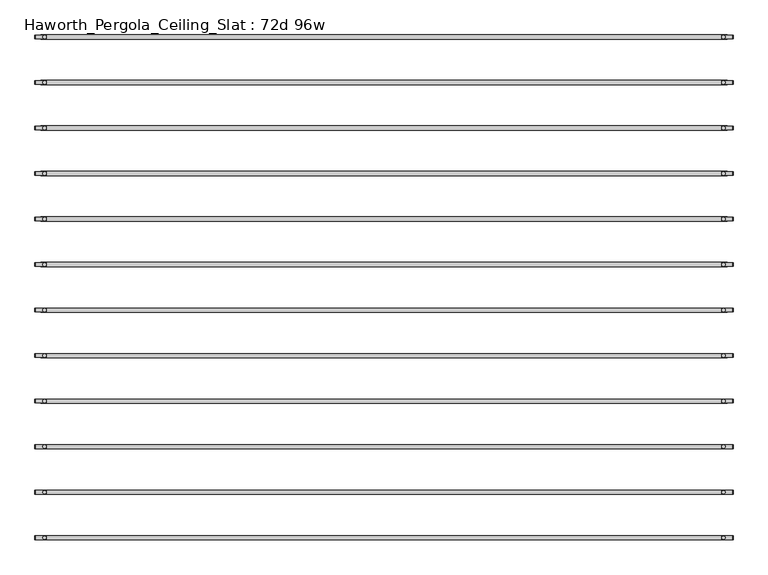
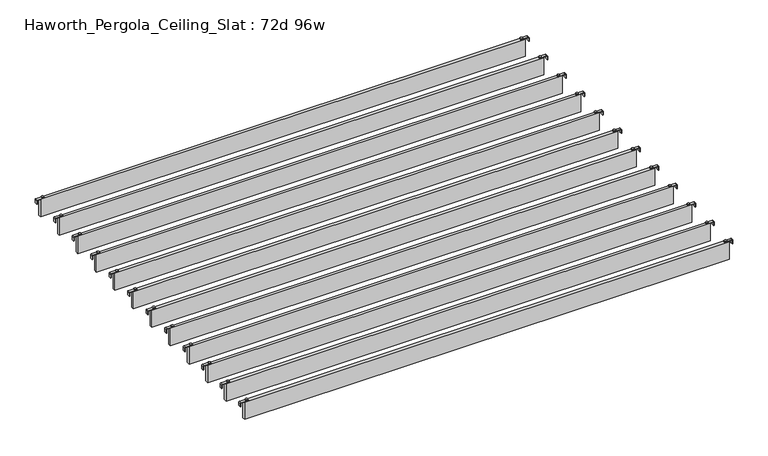
"""IFC4 building model written with IfcOpenShell, lengths in millimetres: furniture geometry, Haworth_Pergola_Ceiling_Slat : 72d 96w."""

from ifc_helpers import new_model, si_unit, point, frame, frame_2d, origin, place, context, project, spatial, polyline, circle_curve, trimmed, segment, composite_curve, outline, extrude, source, transform, mapped, element, save


def haworth_pergola_ceiling_slat_72d_96w_01a6c2b5(model_context):
    return source(origin(), model_context, "Body", "SweptSolid", [
        extrude(outline(composite_curve([segment(trimmed(circle_curve(frame_2d((1243.6, 611.3433636)), 5.9838099), [point((1237.6161901, 611.3433636))], [point((1249.5838099, 611.3433636))], False, "CARTESIAN"), True, "CONTINUOUS"), segment(trimmed(circle_curve(frame_2d((1243.6, 611.3433636)), 5.9838099), [point((1249.5838099, 611.3433636))], [point((1237.6161901, 611.3433636))], False, "CARTESIAN"), True, "CONTINUOUS")], self_intersect=False)), frame((0.0, 0.0, 2440.9329992), z_axis=(0.0, 0.0, 1.0), x_axis=(1.0, 0.0, 0.0)), (0.0, 0.0, 1.0), 3.4400008),
        extrude(outline(composite_curve([segment(trimmed(circle_curve(frame_2d((-1167.4, 611.3433636)), 5.9838099), [point((-1161.4161901, 611.3433636))], [point((-1173.3838099, 611.3433636))], False, "CARTESIAN"), True, "CONTINUOUS"), segment(trimmed(circle_curve(frame_2d((-1167.4, 611.3433636)), 5.9838099), [point((-1173.3838099, 611.3433636))], [point((-1161.4161901, 611.3433636))], False, "CARTESIAN"), True, "CONTINUOUS")], self_intersect=False)), frame((0.0, 0.0, 2440.9329992), z_axis=(0.0, 0.0, 1.0), x_axis=(1.0, 0.0, 0.0)), (0.0, 0.0, 1.0), 3.4400008),
        extrude(outline(composite_curve([segment(polyline([(2419.2231711, 1277.76), (2437.2499992, 1277.76)]), True, "CONTINUOUS"), segment(trimmed(circle_curve(frame_2d((2437.2499992, 1274.077)), 3.683), [point((2437.2499992, 1277.76))], [point((2440.9329992, 1274.077))], False, "CARTESIAN"), True, "CONTINUOUS"), segment(polyline([(2440.9329992, 1274.077), (2440.9329992, 1237.1), (2438.2729997, 1237.1), (2438.2729997, 1274.0905568)]), True, "CONTINUOUS"), segment(trimmed(circle_curve(frame_2d((2437.2635571, 1274.0905568)), 1.0094425), [point((2438.2729997, 1274.0905568))], [point((2437.2635571, 1275.0999993))], True, "CARTESIAN"), True, "CONTINUOUS"), segment(polyline([(2437.2635571, 1275.0999993), (2419.2231711, 1275.0999993), (2419.2231711, 1277.76)]), True, "CONTINUOUS")], self_intersect=False)), frame((0.0, 604.836364, 0.0), z_axis=(0.0, 1.0, 0.0), x_axis=(0.0, 0.0, 1.0)), (0.0, 0.0, 1.0), 13.0),
        extrude(outline(composite_curve([segment(polyline([(2419.2231711, -1201.56), (2419.2231711, -1198.8999993), (2437.2635571, -1198.8999993)]), True, "CONTINUOUS"), segment(trimmed(circle_curve(frame_2d((2437.2635571, -1197.8905568)), 1.0094425), [point((2437.2635571, -1198.8999993))], [point((2438.2729997, -1197.8905568))], True, "CARTESIAN"), True, "CONTINUOUS"), segment(polyline([(2438.2729997, -1197.8905568), (2438.2729997, -1160.9), (2440.9329992, -1160.9), (2440.9329992, -1197.877)]), True, "CONTINUOUS"), segment(trimmed(circle_curve(frame_2d((2437.2499992, -1197.877)), 3.683), [point((2440.9329992, -1197.877))], [point((2437.2499992, -1201.56))], False, "CARTESIAN"), True, "CONTINUOUS"), segment(polyline([(2437.2499992, -1201.56), (2419.2231711, -1201.56)]), True, "CONTINUOUS")], self_intersect=False)), frame((0.0, 604.836364, 0.0), z_axis=(0.0, 1.0, 0.0), x_axis=(0.0, 0.0, 1.0)), (0.0, 0.0, 1.0), 13.0),
        extrude(outline(polyline([(-1181.1, 618.8363636), (1257.3, 618.8363636), (1257.3, 603.8503636), (-1181.1, 603.8503636), (-1181.1, 618.8363636)])), frame((0.0, 0.0, 2346.198), z_axis=(0.0, 0.0, 1.0), x_axis=(1.0, 0.0, 0.0)), (0.0, 0.0, 1.0), 92.202),
        extrude(outline(composite_curve([segment(trimmed(circle_curve(frame_2d((1243.6, 772.9797273)), 5.9838099), [point((1237.6161901, 772.9797273))], [point((1249.5838099, 772.9797273))], False, "CARTESIAN"), True, "CONTINUOUS"), segment(trimmed(circle_curve(frame_2d((1243.6, 772.9797273)), 5.9838099), [point((1249.5838099, 772.9797273))], [point((1237.6161901, 772.9797273))], False, "CARTESIAN"), True, "CONTINUOUS")], self_intersect=False)), frame((0.0, 0.0, 2440.9329992), z_axis=(0.0, 0.0, 1.0), x_axis=(1.0, 0.0, 0.0)), (0.0, 0.0, 1.0), 3.4400008),
        extrude(outline(composite_curve([segment(trimmed(circle_curve(frame_2d((-1167.4, 772.9797273)), 5.9838099), [point((-1161.4161901, 772.9797273))], [point((-1173.3838099, 772.9797273))], False, "CARTESIAN"), True, "CONTINUOUS"), segment(trimmed(circle_curve(frame_2d((-1167.4, 772.9797273)), 5.9838099), [point((-1173.3838099, 772.9797273))], [point((-1161.4161901, 772.9797273))], False, "CARTESIAN"), True, "CONTINUOUS")], self_intersect=False)), frame((0.0, 0.0, 2440.9329992), z_axis=(0.0, 0.0, 1.0), x_axis=(1.0, 0.0, 0.0)), (0.0, 0.0, 1.0), 3.4400008),
        extrude(outline(composite_curve([segment(polyline([(2419.2231711, 1277.76), (2437.2499992, 1277.76)]), True, "CONTINUOUS"), segment(trimmed(circle_curve(frame_2d((2437.2499992, 1274.077)), 3.683), [point((2437.2499992, 1277.76))], [point((2440.9329992, 1274.077))], False, "CARTESIAN"), True, "CONTINUOUS"), segment(polyline([(2440.9329992, 1274.077), (2440.9329992, 1237.1), (2438.2729997, 1237.1), (2438.2729997, 1274.0905568)]), True, "CONTINUOUS"), segment(trimmed(circle_curve(frame_2d((2437.2635571, 1274.0905568)), 1.0094425), [point((2438.2729997, 1274.0905568))], [point((2437.2635571, 1275.0999993))], True, "CARTESIAN"), True, "CONTINUOUS"), segment(polyline([(2437.2635571, 1275.0999993), (2419.2231711, 1275.0999993), (2419.2231711, 1277.76)]), True, "CONTINUOUS")], self_intersect=False)), frame((0.0, 766.4727276, 0.0), z_axis=(0.0, 1.0, 0.0), x_axis=(0.0, 0.0, 1.0)), (0.0, 0.0, 1.0), 13.0),
        extrude(outline(composite_curve([segment(polyline([(2419.2231711, -1201.56), (2419.2231711, -1198.8999993), (2437.2635571, -1198.8999993)]), True, "CONTINUOUS"), segment(trimmed(circle_curve(frame_2d((2437.2635571, -1197.8905568)), 1.0094425), [point((2437.2635571, -1198.8999993))], [point((2438.2729997, -1197.8905568))], True, "CARTESIAN"), True, "CONTINUOUS"), segment(polyline([(2438.2729997, -1197.8905568), (2438.2729997, -1160.9), (2440.9329992, -1160.9), (2440.9329992, -1197.877)]), True, "CONTINUOUS"), segment(trimmed(circle_curve(frame_2d((2437.2499992, -1197.877)), 3.683), [point((2440.9329992, -1197.877))], [point((2437.2499992, -1201.56))], False, "CARTESIAN"), True, "CONTINUOUS"), segment(polyline([(2437.2499992, -1201.56), (2419.2231711, -1201.56)]), True, "CONTINUOUS")], self_intersect=False)), frame((0.0, 766.4727276, 0.0), z_axis=(0.0, 1.0, 0.0), x_axis=(0.0, 0.0, 1.0)), (0.0, 0.0, 1.0), 13.0),
        extrude(outline(polyline([(-1181.1, 780.4727273), (1257.3, 780.4727273), (1257.3, 765.4867273), (-1181.1, 765.4867273), (-1181.1, 780.4727273)])), frame((0.0, 0.0, 2346.198), z_axis=(0.0, 0.0, 1.0), x_axis=(1.0, 0.0, 0.0)), (0.0, 0.0, 1.0), 92.202),
        extrude(outline(composite_curve([segment(trimmed(circle_curve(frame_2d((1243.6, 934.6160909)), 5.9838099), [point((1237.6161901, 934.6160909))], [point((1249.5838099, 934.6160909))], False, "CARTESIAN"), True, "CONTINUOUS"), segment(trimmed(circle_curve(frame_2d((1243.6, 934.6160909)), 5.9838099), [point((1249.5838099, 934.6160909))], [point((1237.6161901, 934.6160909))], False, "CARTESIAN"), True, "CONTINUOUS")], self_intersect=False)), frame((0.0, 0.0, 2440.9329992), z_axis=(0.0, 0.0, 1.0), x_axis=(1.0, 0.0, 0.0)), (0.0, 0.0, 1.0), 3.4400008),
        extrude(outline(composite_curve([segment(trimmed(circle_curve(frame_2d((-1167.4, 934.6160909)), 5.9838099), [point((-1161.4161901, 934.6160909))], [point((-1173.3838099, 934.6160909))], False, "CARTESIAN"), True, "CONTINUOUS"), segment(trimmed(circle_curve(frame_2d((-1167.4, 934.6160909)), 5.9838099), [point((-1173.3838099, 934.6160909))], [point((-1161.4161901, 934.6160909))], False, "CARTESIAN"), True, "CONTINUOUS")], self_intersect=False)), frame((0.0, 0.0, 2440.9329992), z_axis=(0.0, 0.0, 1.0), x_axis=(1.0, 0.0, 0.0)), (0.0, 0.0, 1.0), 3.4400008),
        extrude(outline(composite_curve([segment(polyline([(2419.2231711, 1277.76), (2437.2499992, 1277.76)]), True, "CONTINUOUS"), segment(trimmed(circle_curve(frame_2d((2437.2499992, 1274.077)), 3.683), [point((2437.2499992, 1277.76))], [point((2440.9329992, 1274.077))], False, "CARTESIAN"), True, "CONTINUOUS"), segment(polyline([(2440.9329992, 1274.077), (2440.9329992, 1237.1), (2438.2729997, 1237.1), (2438.2729997, 1274.0905568)]), True, "CONTINUOUS"), segment(trimmed(circle_curve(frame_2d((2437.2635571, 1274.0905568)), 1.0094425), [point((2438.2729997, 1274.0905568))], [point((2437.2635571, 1275.0999993))], True, "CARTESIAN"), True, "CONTINUOUS"), segment(polyline([(2437.2635571, 1275.0999993), (2419.2231711, 1275.0999993), (2419.2231711, 1277.76)]), True, "CONTINUOUS")], self_intersect=False)), frame((0.0, 928.1090912, 0.0), z_axis=(0.0, 1.0, 0.0), x_axis=(0.0, 0.0, 1.0)), (0.0, 0.0, 1.0), 13.0),
        extrude(outline(composite_curve([segment(polyline([(2419.2231711, -1201.56), (2419.2231711, -1198.8999993), (2437.2635571, -1198.8999993)]), True, "CONTINUOUS"), segment(trimmed(circle_curve(frame_2d((2437.2635571, -1197.8905568)), 1.0094425), [point((2437.2635571, -1198.8999993))], [point((2438.2729997, -1197.8905568))], True, "CARTESIAN"), True, "CONTINUOUS"), segment(polyline([(2438.2729997, -1197.8905568), (2438.2729997, -1160.9), (2440.9329992, -1160.9), (2440.9329992, -1197.877)]), True, "CONTINUOUS"), segment(trimmed(circle_curve(frame_2d((2437.2499992, -1197.877)), 3.683), [point((2440.9329992, -1197.877))], [point((2437.2499992, -1201.56))], False, "CARTESIAN"), True, "CONTINUOUS"), segment(polyline([(2437.2499992, -1201.56), (2419.2231711, -1201.56)]), True, "CONTINUOUS")], self_intersect=False)), frame((0.0, 928.1090912, 0.0), z_axis=(0.0, 1.0, 0.0), x_axis=(0.0, 0.0, 1.0)), (0.0, 0.0, 1.0), 13.0),
        extrude(outline(polyline([(-1181.1, 942.1090909), (1257.3, 942.1090909), (1257.3, 927.1230909), (-1181.1, 927.1230909), (-1181.1, 942.1090909)])), frame((0.0, 0.0, 2346.198), z_axis=(0.0, 0.0, 1.0), x_axis=(1.0, 0.0, 0.0)), (0.0, 0.0, 1.0), 92.202),
        extrude(outline(composite_curve([segment(trimmed(circle_curve(frame_2d((1243.6, 1096.2524545)), 5.9838099), [point((1237.6161901, 1096.2524545))], [point((1249.5838099, 1096.2524545))], False, "CARTESIAN"), True, "CONTINUOUS"), segment(trimmed(circle_curve(frame_2d((1243.6, 1096.2524545)), 5.9838099), [point((1249.5838099, 1096.2524545))], [point((1237.6161901, 1096.2524545))], False, "CARTESIAN"), True, "CONTINUOUS")], self_intersect=False)), frame((0.0, 0.0, 2440.9329992), z_axis=(0.0, 0.0, 1.0), x_axis=(1.0, 0.0, 0.0)), (0.0, 0.0, 1.0), 3.4400008),
        extrude(outline(composite_curve([segment(trimmed(circle_curve(frame_2d((-1167.4, 1096.2524545)), 5.9838099), [point((-1161.4161901, 1096.2524545))], [point((-1173.3838099, 1096.2524545))], False, "CARTESIAN"), True, "CONTINUOUS"), segment(trimmed(circle_curve(frame_2d((-1167.4, 1096.2524545)), 5.9838099), [point((-1173.3838099, 1096.2524545))], [point((-1161.4161901, 1096.2524545))], False, "CARTESIAN"), True, "CONTINUOUS")], self_intersect=False)), frame((0.0, 0.0, 2440.9329992), z_axis=(0.0, 0.0, 1.0), x_axis=(1.0, 0.0, 0.0)), (0.0, 0.0, 1.0), 3.4400008),
        extrude(outline(composite_curve([segment(polyline([(2419.2231711, 1277.76), (2437.2499992, 1277.76)]), True, "CONTINUOUS"), segment(trimmed(circle_curve(frame_2d((2437.2499992, 1274.077)), 3.683), [point((2437.2499992, 1277.76))], [point((2440.9329992, 1274.077))], False, "CARTESIAN"), True, "CONTINUOUS"), segment(polyline([(2440.9329992, 1274.077), (2440.9329992, 1237.1), (2438.2729997, 1237.1), (2438.2729997, 1274.0905568)]), True, "CONTINUOUS"), segment(trimmed(circle_curve(frame_2d((2437.2635571, 1274.0905568)), 1.0094425), [point((2438.2729997, 1274.0905568))], [point((2437.2635571, 1275.0999993))], True, "CARTESIAN"), True, "CONTINUOUS"), segment(polyline([(2437.2635571, 1275.0999993), (2419.2231711, 1275.0999993), (2419.2231711, 1277.76)]), True, "CONTINUOUS")], self_intersect=False)), frame((0.0, 1089.7454549, 0.0), z_axis=(0.0, 1.0, 0.0), x_axis=(0.0, 0.0, 1.0)), (0.0, 0.0, 1.0), 13.0),
        extrude(outline(composite_curve([segment(polyline([(2419.2231711, -1201.56), (2419.2231711, -1198.8999993), (2437.2635571, -1198.8999993)]), True, "CONTINUOUS"), segment(trimmed(circle_curve(frame_2d((2437.2635571, -1197.8905568)), 1.0094425), [point((2437.2635571, -1198.8999993))], [point((2438.2729997, -1197.8905568))], True, "CARTESIAN"), True, "CONTINUOUS"), segment(polyline([(2438.2729997, -1197.8905568), (2438.2729997, -1160.9), (2440.9329992, -1160.9), (2440.9329992, -1197.877)]), True, "CONTINUOUS"), segment(trimmed(circle_curve(frame_2d((2437.2499992, -1197.877)), 3.683), [point((2440.9329992, -1197.877))], [point((2437.2499992, -1201.56))], False, "CARTESIAN"), True, "CONTINUOUS"), segment(polyline([(2437.2499992, -1201.56), (2419.2231711, -1201.56)]), True, "CONTINUOUS")], self_intersect=False)), frame((0.0, 1089.7454549, 0.0), z_axis=(0.0, 1.0, 0.0), x_axis=(0.0, 0.0, 1.0)), (0.0, 0.0, 1.0), 13.0),
        extrude(outline(polyline([(-1181.1, 1103.7454545), (1257.3, 1103.7454545), (1257.3, 1088.7594545), (-1181.1, 1088.7594545), (-1181.1, 1103.7454545)])), frame((0.0, 0.0, 2346.198), z_axis=(0.0, 0.0, 1.0), x_axis=(1.0, 0.0, 0.0)), (0.0, 0.0, 1.0), 92.202),
        extrude(outline(composite_curve([segment(trimmed(circle_curve(frame_2d((1243.6, 1257.8888182)), 5.9838099), [point((1237.6161901, 1257.8888182))], [point((1249.5838099, 1257.8888182))], False, "CARTESIAN"), True, "CONTINUOUS"), segment(trimmed(circle_curve(frame_2d((1243.6, 1257.8888182)), 5.9838099), [point((1249.5838099, 1257.8888182))], [point((1237.6161901, 1257.8888182))], False, "CARTESIAN"), True, "CONTINUOUS")], self_intersect=False)), frame((0.0, 0.0, 2440.9329992), z_axis=(0.0, 0.0, 1.0), x_axis=(1.0, 0.0, 0.0)), (0.0, 0.0, 1.0), 3.4400008),
        extrude(outline(composite_curve([segment(trimmed(circle_curve(frame_2d((-1167.4, 1257.8888182)), 5.9838099), [point((-1161.4161901, 1257.8888182))], [point((-1173.3838099, 1257.8888182))], False, "CARTESIAN"), True, "CONTINUOUS"), segment(trimmed(circle_curve(frame_2d((-1167.4, 1257.8888182)), 5.9838099), [point((-1173.3838099, 1257.8888182))], [point((-1161.4161901, 1257.8888182))], False, "CARTESIAN"), True, "CONTINUOUS")], self_intersect=False)), frame((0.0, 0.0, 2440.9329992), z_axis=(0.0, 0.0, 1.0), x_axis=(1.0, 0.0, 0.0)), (0.0, 0.0, 1.0), 3.4400008),
        extrude(outline(composite_curve([segment(polyline([(2419.2231711, 1277.76), (2437.2499992, 1277.76)]), True, "CONTINUOUS"), segment(trimmed(circle_curve(frame_2d((2437.2499992, 1274.077)), 3.683), [point((2437.2499992, 1277.76))], [point((2440.9329992, 1274.077))], False, "CARTESIAN"), True, "CONTINUOUS"), segment(polyline([(2440.9329992, 1274.077), (2440.9329992, 1237.1), (2438.2729997, 1237.1), (2438.2729997, 1274.0905568)]), True, "CONTINUOUS"), segment(trimmed(circle_curve(frame_2d((2437.2635571, 1274.0905568)), 1.0094425), [point((2438.2729997, 1274.0905568))], [point((2437.2635571, 1275.0999993))], True, "CARTESIAN"), True, "CONTINUOUS"), segment(polyline([(2437.2635571, 1275.0999993), (2419.2231711, 1275.0999993), (2419.2231711, 1277.76)]), True, "CONTINUOUS")], self_intersect=False)), frame((0.0, 1251.3818185, 0.0), z_axis=(0.0, 1.0, 0.0), x_axis=(0.0, 0.0, 1.0)), (0.0, 0.0, 1.0), 13.0),
        extrude(outline(composite_curve([segment(polyline([(2419.2231711, -1201.56), (2419.2231711, -1198.8999993), (2437.2635571, -1198.8999993)]), True, "CONTINUOUS"), segment(trimmed(circle_curve(frame_2d((2437.2635571, -1197.8905568)), 1.0094425), [point((2437.2635571, -1198.8999993))], [point((2438.2729997, -1197.8905568))], True, "CARTESIAN"), True, "CONTINUOUS"), segment(polyline([(2438.2729997, -1197.8905568), (2438.2729997, -1160.9), (2440.9329992, -1160.9), (2440.9329992, -1197.877)]), True, "CONTINUOUS"), segment(trimmed(circle_curve(frame_2d((2437.2499992, -1197.877)), 3.683), [point((2440.9329992, -1197.877))], [point((2437.2499992, -1201.56))], False, "CARTESIAN"), True, "CONTINUOUS"), segment(polyline([(2437.2499992, -1201.56), (2419.2231711, -1201.56)]), True, "CONTINUOUS")], self_intersect=False)), frame((0.0, 1251.3818185, 0.0), z_axis=(0.0, 1.0, 0.0), x_axis=(0.0, 0.0, 1.0)), (0.0, 0.0, 1.0), 13.0),
        extrude(outline(polyline([(-1181.1, 1265.3818182), (1257.3, 1265.3818182), (1257.3, 1250.3958182), (-1181.1, 1250.3958182), (-1181.1, 1265.3818182)])), frame((0.0, 0.0, 2346.198), z_axis=(0.0, 0.0, 1.0), x_axis=(1.0, 0.0, 0.0)), (0.0, 0.0, 1.0), 92.202),
        extrude(outline(composite_curve([segment(trimmed(circle_curve(frame_2d((1243.6, 1419.5251818)), 5.9838099), [point((1237.6161901, 1419.5251818))], [point((1249.5838099, 1419.5251818))], False, "CARTESIAN"), True, "CONTINUOUS"), segment(trimmed(circle_curve(frame_2d((1243.6, 1419.5251818)), 5.9838099), [point((1249.5838099, 1419.5251818))], [point((1237.6161901, 1419.5251818))], False, "CARTESIAN"), True, "CONTINUOUS")], self_intersect=False)), frame((0.0, 0.0, 2440.9329992), z_axis=(0.0, 0.0, 1.0), x_axis=(1.0, 0.0, 0.0)), (0.0, 0.0, 1.0), 3.4400008),
        extrude(outline(composite_curve([segment(trimmed(circle_curve(frame_2d((-1167.4, 1419.5251818)), 5.9838099), [point((-1161.4161901, 1419.5251818))], [point((-1173.3838099, 1419.5251818))], False, "CARTESIAN"), True, "CONTINUOUS"), segment(trimmed(circle_curve(frame_2d((-1167.4, 1419.5251818)), 5.9838099), [point((-1173.3838099, 1419.5251818))], [point((-1161.4161901, 1419.5251818))], False, "CARTESIAN"), True, "CONTINUOUS")], self_intersect=False)), frame((0.0, 0.0, 2440.9329992), z_axis=(0.0, 0.0, 1.0), x_axis=(1.0, 0.0, 0.0)), (0.0, 0.0, 1.0), 3.4400008),
        extrude(outline(composite_curve([segment(polyline([(2419.2231711, 1277.76), (2437.2499992, 1277.76)]), True, "CONTINUOUS"), segment(trimmed(circle_curve(frame_2d((2437.2499992, 1274.077)), 3.683), [point((2437.2499992, 1277.76))], [point((2440.9329992, 1274.077))], False, "CARTESIAN"), True, "CONTINUOUS"), segment(polyline([(2440.9329992, 1274.077), (2440.9329992, 1237.1), (2438.2729997, 1237.1), (2438.2729997, 1274.0905568)]), True, "CONTINUOUS"), segment(trimmed(circle_curve(frame_2d((2437.2635571, 1274.0905568)), 1.0094425), [point((2438.2729997, 1274.0905568))], [point((2437.2635571, 1275.0999993))], True, "CARTESIAN"), True, "CONTINUOUS"), segment(polyline([(2437.2635571, 1275.0999993), (2419.2231711, 1275.0999993), (2419.2231711, 1277.76)]), True, "CONTINUOUS")], self_intersect=False)), frame((0.0, 1413.0181822, 0.0), z_axis=(0.0, 1.0, 0.0), x_axis=(0.0, 0.0, 1.0)), (0.0, 0.0, 1.0), 13.0),
        extrude(outline(composite_curve([segment(polyline([(2419.2231711, -1201.56), (2419.2231711, -1198.8999993), (2437.2635571, -1198.8999993)]), True, "CONTINUOUS"), segment(trimmed(circle_curve(frame_2d((2437.2635571, -1197.8905568)), 1.0094425), [point((2437.2635571, -1198.8999993))], [point((2438.2729997, -1197.8905568))], True, "CARTESIAN"), True, "CONTINUOUS"), segment(polyline([(2438.2729997, -1197.8905568), (2438.2729997, -1160.9), (2440.9329992, -1160.9), (2440.9329992, -1197.877)]), True, "CONTINUOUS"), segment(trimmed(circle_curve(frame_2d((2437.2499992, -1197.877)), 3.683), [point((2440.9329992, -1197.877))], [point((2437.2499992, -1201.56))], False, "CARTESIAN"), True, "CONTINUOUS"), segment(polyline([(2437.2499992, -1201.56), (2419.2231711, -1201.56)]), True, "CONTINUOUS")], self_intersect=False)), frame((0.0, 1413.0181822, 0.0), z_axis=(0.0, 1.0, 0.0), x_axis=(0.0, 0.0, 1.0)), (0.0, 0.0, 1.0), 13.0),
        extrude(outline(polyline([(-1181.1, 1427.0181818), (1257.3, 1427.0181818), (1257.3, 1412.0321818), (-1181.1, 1412.0321818), (-1181.1, 1427.0181818)])), frame((0.0, 0.0, 2346.198), z_axis=(0.0, 0.0, 1.0), x_axis=(1.0, 0.0, 0.0)), (0.0, 0.0, 1.0), 92.202),
        extrude(outline(composite_curve([segment(trimmed(circle_curve(frame_2d((1243.6, 1581.1615455)), 5.9838099), [point((1237.6161901, 1581.1615455))], [point((1249.5838099, 1581.1615455))], False, "CARTESIAN"), True, "CONTINUOUS"), segment(trimmed(circle_curve(frame_2d((1243.6, 1581.1615455)), 5.9838099), [point((1249.5838099, 1581.1615455))], [point((1237.6161901, 1581.1615455))], False, "CARTESIAN"), True, "CONTINUOUS")], self_intersect=False)), frame((0.0, 0.0, 2440.9329992), z_axis=(0.0, 0.0, 1.0), x_axis=(1.0, 0.0, 0.0)), (0.0, 0.0, 1.0), 3.4400008),
        extrude(outline(composite_curve([segment(trimmed(circle_curve(frame_2d((-1167.4, 1581.1615455)), 5.9838099), [point((-1161.4161901, 1581.1615455))], [point((-1173.3838099, 1581.1615455))], False, "CARTESIAN"), True, "CONTINUOUS"), segment(trimmed(circle_curve(frame_2d((-1167.4, 1581.1615455)), 5.9838099), [point((-1173.3838099, 1581.1615455))], [point((-1161.4161901, 1581.1615455))], False, "CARTESIAN"), True, "CONTINUOUS")], self_intersect=False)), frame((0.0, 0.0, 2440.9329992), z_axis=(0.0, 0.0, 1.0), x_axis=(1.0, 0.0, 0.0)), (0.0, 0.0, 1.0), 3.4400008),
        extrude(outline(composite_curve([segment(polyline([(2419.2231711, 1277.76), (2437.2499992, 1277.76)]), True, "CONTINUOUS"), segment(trimmed(circle_curve(frame_2d((2437.2499992, 1274.077)), 3.683), [point((2437.2499992, 1277.76))], [point((2440.9329992, 1274.077))], False, "CARTESIAN"), True, "CONTINUOUS"), segment(polyline([(2440.9329992, 1274.077), (2440.9329992, 1237.1), (2438.2729997, 1237.1), (2438.2729997, 1274.0905568)]), True, "CONTINUOUS"), segment(trimmed(circle_curve(frame_2d((2437.2635571, 1274.0905568)), 1.0094425), [point((2438.2729997, 1274.0905568))], [point((2437.2635571, 1275.0999993))], True, "CARTESIAN"), True, "CONTINUOUS"), segment(polyline([(2437.2635571, 1275.0999993), (2419.2231711, 1275.0999993), (2419.2231711, 1277.76)]), True, "CONTINUOUS")], self_intersect=False)), frame((0.0, 1574.6545458, 0.0), z_axis=(0.0, 1.0, 0.0), x_axis=(0.0, 0.0, 1.0)), (0.0, 0.0, 1.0), 13.0),
        extrude(outline(composite_curve([segment(polyline([(2419.2231711, -1201.56), (2419.2231711, -1198.8999993), (2437.2635571, -1198.8999993)]), True, "CONTINUOUS"), segment(trimmed(circle_curve(frame_2d((2437.2635571, -1197.8905568)), 1.0094425), [point((2437.2635571, -1198.8999993))], [point((2438.2729997, -1197.8905568))], True, "CARTESIAN"), True, "CONTINUOUS"), segment(polyline([(2438.2729997, -1197.8905568), (2438.2729997, -1160.9), (2440.9329992, -1160.9), (2440.9329992, -1197.877)]), True, "CONTINUOUS"), segment(trimmed(circle_curve(frame_2d((2437.2499992, -1197.877)), 3.683), [point((2440.9329992, -1197.877))], [point((2437.2499992, -1201.56))], False, "CARTESIAN"), True, "CONTINUOUS"), segment(polyline([(2437.2499992, -1201.56), (2419.2231711, -1201.56)]), True, "CONTINUOUS")], self_intersect=False)), frame((0.0, 1574.6545458, 0.0), z_axis=(0.0, 1.0, 0.0), x_axis=(0.0, 0.0, 1.0)), (0.0, 0.0, 1.0), 13.0),
        extrude(outline(polyline([(-1181.1, 1588.6545455), (1257.3, 1588.6545455), (1257.3, 1573.6685455), (-1181.1, 1573.6685455), (-1181.1, 1588.6545455)])), frame((0.0, 0.0, 2346.198), z_axis=(0.0, 0.0, 1.0), x_axis=(1.0, 0.0, 0.0)), (0.0, 0.0, 1.0), 92.202),
        extrude(outline(composite_curve([segment(trimmed(circle_curve(frame_2d((1243.6, 1742.7979091)), 5.9838099), [point((1237.6161901, 1742.7979091))], [point((1249.5838099, 1742.7979091))], False, "CARTESIAN"), True, "CONTINUOUS"), segment(trimmed(circle_curve(frame_2d((1243.6, 1742.7979091)), 5.9838099), [point((1249.5838099, 1742.7979091))], [point((1237.6161901, 1742.7979091))], False, "CARTESIAN"), True, "CONTINUOUS")], self_intersect=False)), frame((0.0, 0.0, 2440.9329992), z_axis=(0.0, 0.0, 1.0), x_axis=(1.0, 0.0, 0.0)), (0.0, 0.0, 1.0), 3.4400008),
        extrude(outline(composite_curve([segment(trimmed(circle_curve(frame_2d((-1167.4, 1742.7979091)), 5.9838099), [point((-1161.4161901, 1742.7979091))], [point((-1173.3838099, 1742.7979091))], False, "CARTESIAN"), True, "CONTINUOUS"), segment(trimmed(circle_curve(frame_2d((-1167.4, 1742.7979091)), 5.9838099), [point((-1173.3838099, 1742.7979091))], [point((-1161.4161901, 1742.7979091))], False, "CARTESIAN"), True, "CONTINUOUS")], self_intersect=False)), frame((0.0, 0.0, 2440.9329992), z_axis=(0.0, 0.0, 1.0), x_axis=(1.0, 0.0, 0.0)), (0.0, 0.0, 1.0), 3.4400008),
        extrude(outline(composite_curve([segment(polyline([(2419.2231711, 1277.76), (2437.2499992, 1277.76)]), True, "CONTINUOUS"), segment(trimmed(circle_curve(frame_2d((2437.2499992, 1274.077)), 3.683), [point((2437.2499992, 1277.76))], [point((2440.9329992, 1274.077))], False, "CARTESIAN"), True, "CONTINUOUS"), segment(polyline([(2440.9329992, 1274.077), (2440.9329992, 1237.1), (2438.2729997, 1237.1), (2438.2729997, 1274.0905568)]), True, "CONTINUOUS"), segment(trimmed(circle_curve(frame_2d((2437.2635571, 1274.0905568)), 1.0094425), [point((2438.2729997, 1274.0905568))], [point((2437.2635571, 1275.0999993))], True, "CARTESIAN"), True, "CONTINUOUS"), segment(polyline([(2437.2635571, 1275.0999993), (2419.2231711, 1275.0999993), (2419.2231711, 1277.76)]), True, "CONTINUOUS")], self_intersect=False)), frame((0.0, 1736.2909094, 0.0), z_axis=(0.0, 1.0, 0.0), x_axis=(0.0, 0.0, 1.0)), (0.0, 0.0, 1.0), 13.0),
        extrude(outline(composite_curve([segment(polyline([(2419.2231711, -1201.56), (2419.2231711, -1198.8999993), (2437.2635571, -1198.8999993)]), True, "CONTINUOUS"), segment(trimmed(circle_curve(frame_2d((2437.2635571, -1197.8905568)), 1.0094425), [point((2437.2635571, -1198.8999993))], [point((2438.2729997, -1197.8905568))], True, "CARTESIAN"), True, "CONTINUOUS"), segment(polyline([(2438.2729997, -1197.8905568), (2438.2729997, -1160.9), (2440.9329992, -1160.9), (2440.9329992, -1197.877)]), True, "CONTINUOUS"), segment(trimmed(circle_curve(frame_2d((2437.2499992, -1197.877)), 3.683), [point((2440.9329992, -1197.877))], [point((2437.2499992, -1201.56))], False, "CARTESIAN"), True, "CONTINUOUS"), segment(polyline([(2437.2499992, -1201.56), (2419.2231711, -1201.56)]), True, "CONTINUOUS")], self_intersect=False)), frame((0.0, 1736.2909094, 0.0), z_axis=(0.0, 1.0, 0.0), x_axis=(0.0, 0.0, 1.0)), (0.0, 0.0, 1.0), 13.0),
        extrude(outline(polyline([(-1181.1, 1750.2909091), (1257.3, 1750.2909091), (1257.3, 1735.3049091), (-1181.1, 1735.3049091), (-1181.1, 1750.2909091)])), frame((0.0, 0.0, 2346.198), z_axis=(0.0, 0.0, 1.0), x_axis=(1.0, 0.0, 0.0)), (0.0, 0.0, 1.0), 92.202),
        extrude(outline(composite_curve([segment(trimmed(circle_curve(frame_2d((1243.6, 1904.4342727)), 5.9838099), [point((1237.6161901, 1904.4342727))], [point((1249.5838099, 1904.4342727))], False, "CARTESIAN"), True, "CONTINUOUS"), segment(trimmed(circle_curve(frame_2d((1243.6, 1904.4342727)), 5.9838099), [point((1249.5838099, 1904.4342727))], [point((1237.6161901, 1904.4342727))], False, "CARTESIAN"), True, "CONTINUOUS")], self_intersect=False)), frame((0.0, 0.0, 2440.9329992), z_axis=(0.0, 0.0, 1.0), x_axis=(1.0, 0.0, 0.0)), (0.0, 0.0, 1.0), 3.4400008),
        extrude(outline(composite_curve([segment(trimmed(circle_curve(frame_2d((-1167.4, 1904.4342727)), 5.9838099), [point((-1161.4161901, 1904.4342727))], [point((-1173.3838099, 1904.4342727))], False, "CARTESIAN"), True, "CONTINUOUS"), segment(trimmed(circle_curve(frame_2d((-1167.4, 1904.4342727)), 5.9838099), [point((-1173.3838099, 1904.4342727))], [point((-1161.4161901, 1904.4342727))], False, "CARTESIAN"), True, "CONTINUOUS")], self_intersect=False)), frame((0.0, 0.0, 2440.9329992), z_axis=(0.0, 0.0, 1.0), x_axis=(1.0, 0.0, 0.0)), (0.0, 0.0, 1.0), 3.4400008),
        extrude(outline(composite_curve([segment(polyline([(2419.2231711, 1277.76), (2437.2499992, 1277.76)]), True, "CONTINUOUS"), segment(trimmed(circle_curve(frame_2d((2437.2499992, 1274.077)), 3.683), [point((2437.2499992, 1277.76))], [point((2440.9329992, 1274.077))], False, "CARTESIAN"), True, "CONTINUOUS"), segment(polyline([(2440.9329992, 1274.077), (2440.9329992, 1237.1), (2438.2729997, 1237.1), (2438.2729997, 1274.0905568)]), True, "CONTINUOUS"), segment(trimmed(circle_curve(frame_2d((2437.2635571, 1274.0905568)), 1.0094425), [point((2438.2729997, 1274.0905568))], [point((2437.2635571, 1275.0999993))], True, "CARTESIAN"), True, "CONTINUOUS"), segment(polyline([(2437.2635571, 1275.0999993), (2419.2231711, 1275.0999993), (2419.2231711, 1277.76)]), True, "CONTINUOUS")], self_intersect=False)), frame((0.0, 1897.9272731, 0.0), z_axis=(0.0, 1.0, 0.0), x_axis=(0.0, 0.0, 1.0)), (0.0, 0.0, 1.0), 13.0),
        extrude(outline(composite_curve([segment(polyline([(2419.2231711, -1201.56), (2419.2231711, -1198.8999993), (2437.2635571, -1198.8999993)]), True, "CONTINUOUS"), segment(trimmed(circle_curve(frame_2d((2437.2635571, -1197.8905568)), 1.0094425), [point((2437.2635571, -1198.8999993))], [point((2438.2729997, -1197.8905568))], True, "CARTESIAN"), True, "CONTINUOUS"), segment(polyline([(2438.2729997, -1197.8905568), (2438.2729997, -1160.9), (2440.9329992, -1160.9), (2440.9329992, -1197.877)]), True, "CONTINUOUS"), segment(trimmed(circle_curve(frame_2d((2437.2499992, -1197.877)), 3.683), [point((2440.9329992, -1197.877))], [point((2437.2499992, -1201.56))], False, "CARTESIAN"), True, "CONTINUOUS"), segment(polyline([(2437.2499992, -1201.56), (2419.2231711, -1201.56)]), True, "CONTINUOUS")], self_intersect=False)), frame((0.0, 1897.9272731, 0.0), z_axis=(0.0, 1.0, 0.0), x_axis=(0.0, 0.0, 1.0)), (0.0, 0.0, 1.0), 13.0),
        extrude(outline(polyline([(-1181.1, 1911.9272727), (1257.3, 1911.9272727), (1257.3, 1896.9412727), (-1181.1, 1896.9412727), (-1181.1, 1911.9272727)])), frame((0.0, 0.0, 2346.198), z_axis=(0.0, 0.0, 1.0), x_axis=(1.0, 0.0, 0.0)), (0.0, 0.0, 1.0), 92.202),
        extrude(outline(composite_curve([segment(trimmed(circle_curve(frame_2d((1243.6, 2066.0706364)), 5.9838099), [point((1237.6161901, 2066.0706364))], [point((1249.5838099, 2066.0706364))], False, "CARTESIAN"), True, "CONTINUOUS"), segment(trimmed(circle_curve(frame_2d((1243.6, 2066.0706364)), 5.9838099), [point((1249.5838099, 2066.0706364))], [point((1237.6161901, 2066.0706364))], False, "CARTESIAN"), True, "CONTINUOUS")], self_intersect=False)), frame((0.0, 0.0, 2440.9329992), z_axis=(0.0, 0.0, 1.0), x_axis=(1.0, 0.0, 0.0)), (0.0, 0.0, 1.0), 3.4400008),
        extrude(outline(composite_curve([segment(trimmed(circle_curve(frame_2d((-1167.4, 2066.0706364)), 5.9838099), [point((-1161.4161901, 2066.0706364))], [point((-1173.3838099, 2066.0706364))], False, "CARTESIAN"), True, "CONTINUOUS"), segment(trimmed(circle_curve(frame_2d((-1167.4, 2066.0706364)), 5.9838099), [point((-1173.3838099, 2066.0706364))], [point((-1161.4161901, 2066.0706364))], False, "CARTESIAN"), True, "CONTINUOUS")], self_intersect=False)), frame((0.0, 0.0, 2440.9329992), z_axis=(0.0, 0.0, 1.0), x_axis=(1.0, 0.0, 0.0)), (0.0, 0.0, 1.0), 3.4400008),
        extrude(outline(composite_curve([segment(polyline([(2419.2231711, 1277.76), (2437.2499992, 1277.76)]), True, "CONTINUOUS"), segment(trimmed(circle_curve(frame_2d((2437.2499992, 1274.077)), 3.683), [point((2437.2499992, 1277.76))], [point((2440.9329992, 1274.077))], False, "CARTESIAN"), True, "CONTINUOUS"), segment(polyline([(2440.9329992, 1274.077), (2440.9329992, 1237.1), (2438.2729997, 1237.1), (2438.2729997, 1274.0905568)]), True, "CONTINUOUS"), segment(trimmed(circle_curve(frame_2d((2437.2635571, 1274.0905568)), 1.0094425), [point((2438.2729997, 1274.0905568))], [point((2437.2635571, 1275.0999993))], True, "CARTESIAN"), True, "CONTINUOUS"), segment(polyline([(2437.2635571, 1275.0999993), (2419.2231711, 1275.0999993), (2419.2231711, 1277.76)]), True, "CONTINUOUS")], self_intersect=False)), frame((0.0, 2059.5636367, 0.0), z_axis=(0.0, 1.0, 0.0), x_axis=(0.0, 0.0, 1.0)), (0.0, 0.0, 1.0), 13.0),
        extrude(outline(composite_curve([segment(polyline([(2419.2231711, -1201.56), (2419.2231711, -1198.8999993), (2437.2635571, -1198.8999993)]), True, "CONTINUOUS"), segment(trimmed(circle_curve(frame_2d((2437.2635571, -1197.8905568)), 1.0094425), [point((2437.2635571, -1198.8999993))], [point((2438.2729997, -1197.8905568))], True, "CARTESIAN"), True, "CONTINUOUS"), segment(polyline([(2438.2729997, -1197.8905568), (2438.2729997, -1160.9), (2440.9329992, -1160.9), (2440.9329992, -1197.877)]), True, "CONTINUOUS"), segment(trimmed(circle_curve(frame_2d((2437.2499992, -1197.877)), 3.683), [point((2440.9329992, -1197.877))], [point((2437.2499992, -1201.56))], False, "CARTESIAN"), True, "CONTINUOUS"), segment(polyline([(2437.2499992, -1201.56), (2419.2231711, -1201.56)]), True, "CONTINUOUS")], self_intersect=False)), frame((0.0, 2059.5636367, 0.0), z_axis=(0.0, 1.0, 0.0), x_axis=(0.0, 0.0, 1.0)), (0.0, 0.0, 1.0), 13.0),
        extrude(outline(polyline([(-1181.1, 2073.5636364), (1257.3, 2073.5636364), (1257.3, 2058.5776364), (-1181.1, 2058.5776364), (-1181.1, 2073.5636364)])), frame((0.0, 0.0, 2346.198), z_axis=(0.0, 0.0, 1.0), x_axis=(1.0, 0.0, 0.0)), (0.0, 0.0, 1.0), 92.202),
        extrude(outline(composite_curve([segment(trimmed(circle_curve(frame_2d((1243.6, 449.707)), 5.9838099), [point((1237.6161901, 449.707))], [point((1249.5838099, 449.707))], False, "CARTESIAN"), True, "CONTINUOUS"), segment(trimmed(circle_curve(frame_2d((1243.6, 449.707)), 5.9838099), [point((1249.5838099, 449.707))], [point((1237.6161901, 449.707))], False, "CARTESIAN"), True, "CONTINUOUS")], self_intersect=False)), frame((0.0, 0.0, 2440.9329992), z_axis=(0.0, 0.0, 1.0), x_axis=(1.0, 0.0, 0.0)), (0.0, 0.0, 1.0), 3.4400008),
        extrude(outline(composite_curve([segment(trimmed(circle_curve(frame_2d((-1167.4, 449.707)), 5.9838099), [point((-1161.4161901, 449.707))], [point((-1173.3838099, 449.707))], False, "CARTESIAN"), True, "CONTINUOUS"), segment(trimmed(circle_curve(frame_2d((-1167.4, 449.707)), 5.9838099), [point((-1173.3838099, 449.707))], [point((-1161.4161901, 449.707))], False, "CARTESIAN"), True, "CONTINUOUS")], self_intersect=False)), frame((0.0, 0.0, 2440.9329992), z_axis=(0.0, 0.0, 1.0), x_axis=(1.0, 0.0, 0.0)), (0.0, 0.0, 1.0), 3.4400008),
        extrude(outline(composite_curve([segment(polyline([(2419.2231711, 1277.76), (2437.2499992, 1277.76)]), True, "CONTINUOUS"), segment(trimmed(circle_curve(frame_2d((2437.2499992, 1274.077)), 3.683), [point((2437.2499992, 1277.76))], [point((2440.9329992, 1274.077))], False, "CARTESIAN"), True, "CONTINUOUS"), segment(polyline([(2440.9329992, 1274.077), (2440.9329992, 1237.1), (2438.2729997, 1237.1), (2438.2729997, 1274.0905568)]), True, "CONTINUOUS"), segment(trimmed(circle_curve(frame_2d((2437.2635571, 1274.0905568)), 1.0094425), [point((2438.2729997, 1274.0905568))], [point((2437.2635571, 1275.0999993))], True, "CARTESIAN"), True, "CONTINUOUS"), segment(polyline([(2437.2635571, 1275.0999993), (2419.2231711, 1275.0999993), (2419.2231711, 1277.76)]), True, "CONTINUOUS")], self_intersect=False)), frame((0.0, 443.2000003, 0.0), z_axis=(0.0, 1.0, 0.0), x_axis=(0.0, 0.0, 1.0)), (0.0, 0.0, 1.0), 13.0),
        extrude(outline(composite_curve([segment(polyline([(2419.2231711, -1201.56), (2419.2231711, -1198.8999993), (2437.2635571, -1198.8999993)]), True, "CONTINUOUS"), segment(trimmed(circle_curve(frame_2d((2437.2635571, -1197.8905568)), 1.0094425), [point((2437.2635571, -1198.8999993))], [point((2438.2729997, -1197.8905568))], True, "CARTESIAN"), True, "CONTINUOUS"), segment(polyline([(2438.2729997, -1197.8905568), (2438.2729997, -1160.9), (2440.9329992, -1160.9), (2440.9329992, -1197.877)]), True, "CONTINUOUS"), segment(trimmed(circle_curve(frame_2d((2437.2499992, -1197.877)), 3.683), [point((2440.9329992, -1197.877))], [point((2437.2499992, -1201.56))], False, "CARTESIAN"), True, "CONTINUOUS"), segment(polyline([(2437.2499992, -1201.56), (2419.2231711, -1201.56)]), True, "CONTINUOUS")], self_intersect=False)), frame((0.0, 443.2000003, 0.0), z_axis=(0.0, 1.0, 0.0), x_axis=(0.0, 0.0, 1.0)), (0.0, 0.0, 1.0), 13.0),
        extrude(outline(polyline([(-1181.1, 457.2), (1257.3, 457.2), (1257.3, 442.214), (-1181.1, 442.214), (-1181.1, 457.2)])), frame((0.0, 0.0, 2346.198), z_axis=(0.0, 0.0, 1.0), x_axis=(1.0, 0.0, 0.0)), (0.0, 0.0, 1.0), 92.202),
        extrude(outline(composite_curve([segment(trimmed(circle_curve(frame_2d((1243.6, 2227.707)), 5.9838099), [point((1237.6161901, 2227.707))], [point((1249.5838099, 2227.707))], False, "CARTESIAN"), True, "CONTINUOUS"), segment(trimmed(circle_curve(frame_2d((1243.6, 2227.707)), 5.9838099), [point((1249.5838099, 2227.707))], [point((1237.6161901, 2227.707))], False, "CARTESIAN"), True, "CONTINUOUS")], self_intersect=False)), frame((0.0, 0.0, 2440.9329992), z_axis=(0.0, 0.0, 1.0), x_axis=(1.0, 0.0, 0.0)), (0.0, 0.0, 1.0), 3.4400008),
        extrude(outline(composite_curve([segment(trimmed(circle_curve(frame_2d((-1167.4, 2227.707)), 5.9838099), [point((-1161.4161901, 2227.707))], [point((-1173.3838099, 2227.707))], False, "CARTESIAN"), True, "CONTINUOUS"), segment(trimmed(circle_curve(frame_2d((-1167.4, 2227.707)), 5.9838099), [point((-1173.3838099, 2227.707))], [point((-1161.4161901, 2227.707))], False, "CARTESIAN"), True, "CONTINUOUS")], self_intersect=False)), frame((0.0, 0.0, 2440.9329992), z_axis=(0.0, 0.0, 1.0), x_axis=(1.0, 0.0, 0.0)), (0.0, 0.0, 1.0), 3.4400008),
        extrude(outline(composite_curve([segment(polyline([(2419.2231711, 1277.76), (2437.2499992, 1277.76)]), True, "CONTINUOUS"), segment(trimmed(circle_curve(frame_2d((2437.2499992, 1274.077)), 3.683), [point((2437.2499992, 1277.76))], [point((2440.9329992, 1274.077))], False, "CARTESIAN"), True, "CONTINUOUS"), segment(polyline([(2440.9329992, 1274.077), (2440.9329992, 1237.1), (2438.2729997, 1237.1), (2438.2729997, 1274.0905568)]), True, "CONTINUOUS"), segment(trimmed(circle_curve(frame_2d((2437.2635571, 1274.0905568)), 1.0094425), [point((2438.2729997, 1274.0905568))], [point((2437.2635571, 1275.0999993))], True, "CARTESIAN"), True, "CONTINUOUS"), segment(polyline([(2437.2635571, 1275.0999993), (2419.2231711, 1275.0999993), (2419.2231711, 1277.76)]), True, "CONTINUOUS")], self_intersect=False)), frame((0.0, 2221.2000003, 0.0), z_axis=(0.0, 1.0, 0.0), x_axis=(0.0, 0.0, 1.0)), (0.0, 0.0, 1.0), 13.0),
        extrude(outline(composite_curve([segment(polyline([(2419.2231711, -1201.56), (2419.2231711, -1198.8999993), (2437.2635571, -1198.8999993)]), True, "CONTINUOUS"), segment(trimmed(circle_curve(frame_2d((2437.2635571, -1197.8905568)), 1.0094425), [point((2437.2635571, -1198.8999993))], [point((2438.2729997, -1197.8905568))], True, "CARTESIAN"), True, "CONTINUOUS"), segment(polyline([(2438.2729997, -1197.8905568), (2438.2729997, -1160.9), (2440.9329992, -1160.9), (2440.9329992, -1197.877)]), True, "CONTINUOUS"), segment(trimmed(circle_curve(frame_2d((2437.2499992, -1197.877)), 3.683), [point((2440.9329992, -1197.877))], [point((2437.2499992, -1201.56))], False, "CARTESIAN"), True, "CONTINUOUS"), segment(polyline([(2437.2499992, -1201.56), (2419.2231711, -1201.56)]), True, "CONTINUOUS")], self_intersect=False)), frame((0.0, 2221.2000003, 0.0), z_axis=(0.0, 1.0, 0.0), x_axis=(0.0, 0.0, 1.0)), (0.0, 0.0, 1.0), 13.0),
        extrude(outline(polyline([(-1181.1, 2235.2), (1257.3, 2235.2), (1257.3, 2220.214), (-1181.1, 2220.214), (-1181.1, 2235.2)])), frame((0.0, 0.0, 2346.198), z_axis=(0.0, 0.0, 1.0), x_axis=(1.0, 0.0, 0.0)), (0.0, 0.0, 1.0), 92.202),
    ])


if __name__ == "__main__":
    model = new_model("IFC4")
    model_context = context("Model", 3, world=origin())
    ifc_project = project(units=[si_unit("LENGTHUNIT", "METRE", prefix="MILLI")], contexts=[model_context])
    site = spatial("IfcSite", under=ifc_project)
    building = spatial("IfcBuilding", under=site)
    placement = place(None, origin())
    haworth_pergola_ceiling_slat_72d_96w_shape = haworth_pergola_ceiling_slat_72d_96w_01a6c2b5(model_context)
    element("IfcFurniture", 1, ObjectType="Haworth_Pergola_Ceiling_Slat : 72d 96w", at=placement, inside=building, context=model_context, shape_type="MappedRepresentation", body=[
        mapped(haworth_pergola_ceiling_slat_72d_96w_shape, transform((0.0, 0.0, 0.0), x_axis=(1.0, 0.0, 0.0), y_axis=(0.0, 1.0, 0.0), z_axis=(0.0, 0.0, 1.0))),
    ])
    save(model, "model.ifc")
